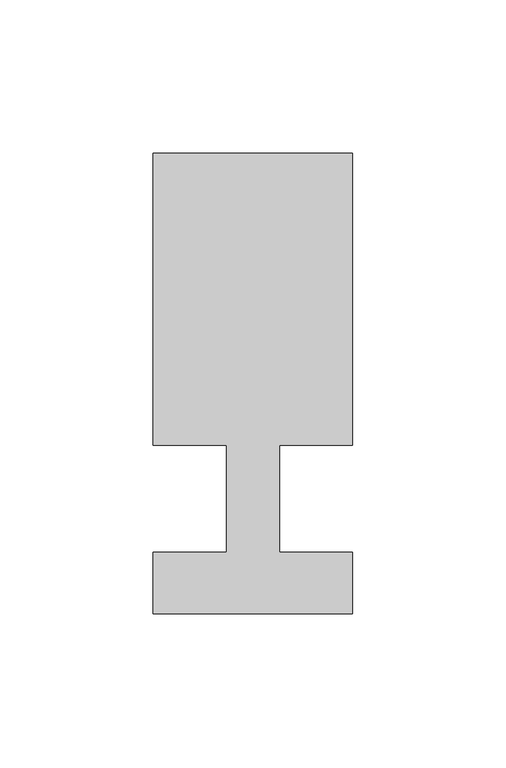
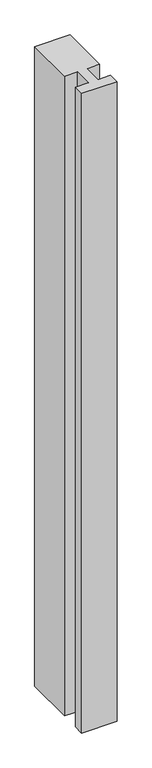
"""IFC4 building model written with IfcOpenShell, lengths in millimetres: member geometry."""

from ifc_helpers import new_model, si_unit, frame, origin, place, context, project, spatial, polyline, outline, extrude, source, transform, mapped, element, save


def member_736463f7(model_context):
    return source(origin(), model_context, "Body", "SweptSolid", [
        extrude(outline(polyline([(0.0, -37.0), (-65.0, -37.0), (-65.0, -17.0), (-41.1875, -17.0), (-41.1875, 18.0), (-65.0, 18.0), (-65.0, 113.0), (0.0, 113.0), (0.0, 18.0), (-23.8125, 18.0), (-23.8125, -17.0), (0.0, -17.0), (0.0, -37.0)])), frame((0.0, 0.0, -1245.6666667), z_axis=(0.0, 0.0, 1.0), x_axis=(1.0, 0.0, 0.0)), (0.0, 0.0, 1.0), 1245.6666667),
    ])


if __name__ == "__main__":
    model = new_model("IFC4")
    model_context = context("Model", 3, world=origin())
    ifc_project = project(units=[si_unit("LENGTHUNIT", "METRE", prefix="MILLI")], contexts=[model_context])
    site = spatial("IfcSite", under=ifc_project)
    building = spatial("IfcBuilding", under=site)
    placement = place(None, origin())
    member_shape = member_736463f7(model_context)
    element("IfcMember", 1, at=placement, inside=building, context=model_context, shape_type="MappedRepresentation", body=[
        mapped(member_shape, transform((0.0, 0.0, 0.0), x_axis=(1.0, 0.0, 0.0), y_axis=(0.0, 1.0, 0.0), z_axis=(0.0, 0.0, 1.0))),
    ])
    save(model, "model.ifc")
